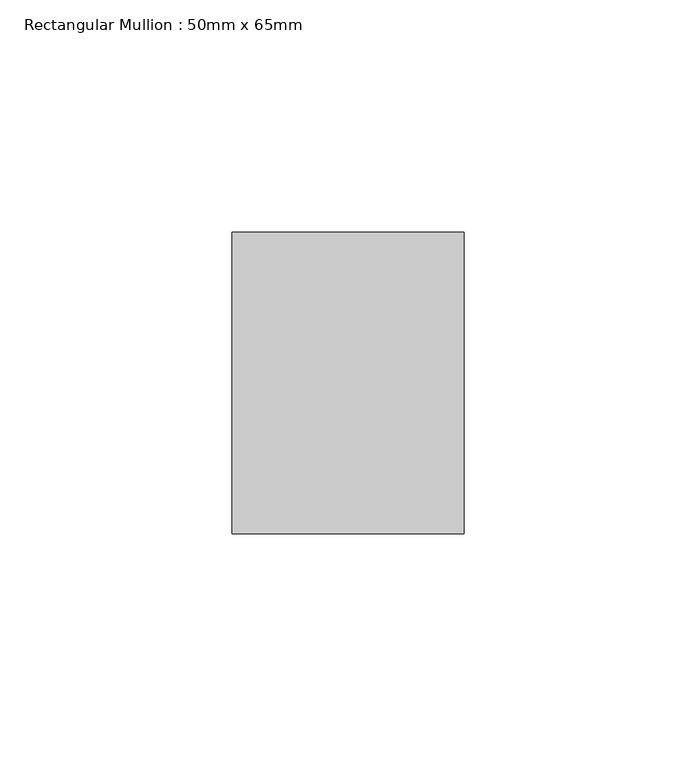
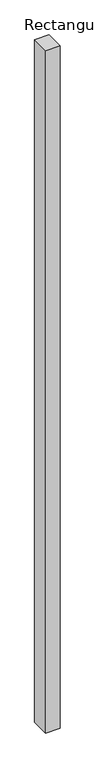
"""IFC4 building model written with IfcOpenShell, lengths in millimetres: member geometry, Rectangular Mullion : 50mm x 65mm."""

from ifc_helpers import new_model, si_unit, frame, origin, place, context, project, spatial, polyline, outline, extrude, source, transform, mapped, element, save


def rectangular_mullion_50mm_x_65mm_70a482d8(model_context):
    return source(origin(), model_context, "Body", "SweptSolid", [
        extrude(outline(polyline([(25.0, 32.5), (25.0, -32.5), (-25.0, -32.5), (-25.0, 32.5), (25.0, 32.5)])), frame((0.0, 0.0, -2478.0259217), z_axis=(0.0, 0.0, 1.0), x_axis=(1.0, 0.0, 0.0)), (0.0, 0.0, 1.0), 2478.0259217),
    ])


if __name__ == "__main__":
    model = new_model("IFC4")
    model_context = context("Model", 3, world=origin())
    ifc_project = project(units=[si_unit("LENGTHUNIT", "METRE", prefix="MILLI")], contexts=[model_context])
    site = spatial("IfcSite", under=ifc_project)
    building = spatial("IfcBuilding", under=site)
    placement = place(None, origin())
    rectangular_mullion_50mm_x_65mm_shape = rectangular_mullion_50mm_x_65mm_70a482d8(model_context)
    element("IfcMember", 1, ObjectType="Rectangular Mullion : 50mm x 65mm", at=placement, inside=building, context=model_context, shape_type="MappedRepresentation", body=[
        mapped(rectangular_mullion_50mm_x_65mm_shape, transform((0.0, 0.0, 0.0), x_axis=(1.0, 0.0, 0.0), y_axis=(0.0, 1.0, 0.0), z_axis=(0.0, 0.0, 1.0))),
    ])
    save(model, "model.ifc")
